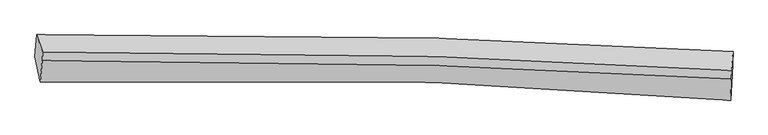
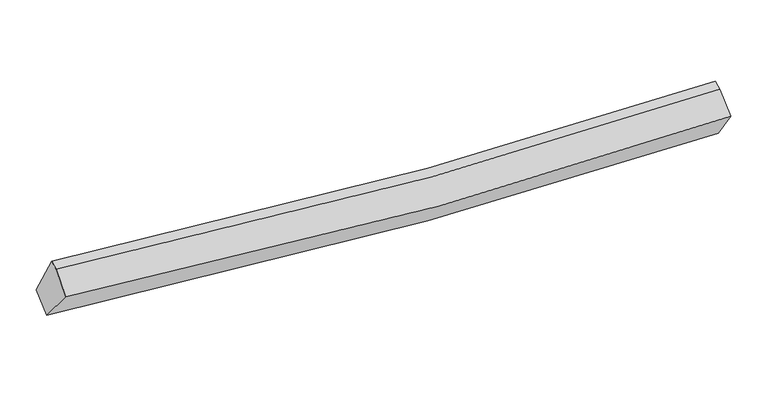
"""IFC4 building model written with IfcOpenShell, lengths in millimetres: proxy geometry."""

import ifcopenshell
import ifcopenshell.guid

model = None  # the IFC model being written
_history = None  # IfcOwnerHistory: only IFC2X3 demands one
_inside = {}  # id of a spatial element -> (the spatial element, [elements in it])
_under = {}  # id of a project, library or spatial element -> (it, [spatial elements below it])
_declared = {}  # id of a project -> (the project, [libraries it declares])
_typed = {}  # id of a type object -> (the type object, [elements of that type])
_made_of = {}  # id of a material, layer set ... -> (it, [elements and type objects made of it])


def new_model(schema):
    """Start an empty IFC model of exactly this schema.

    Asked for "IFC4X3", IfcOpenShell would pick the latest addendum, in which some entities
    have other attributes; the version numbers below select the first issue.
    IFC2X3 requires an IfcOwnerHistory on every rooted entity: one is made here for all.
    """
    global model, _history
    if schema == "IFC4X3":
        model = ifcopenshell.file(schema_version=(4, 3, 0, 0))
    else:
        model = ifcopenshell.file(schema=schema)
    _inside.clear()
    _under.clear()
    _declared.clear()
    _typed.clear()
    _made_of.clear()
    _history = None
    if model.schema == "IFC2X3":
        org = make("IfcOrganization", Name="unknown")
        user = make(
            "IfcPersonAndOrganization",
            ThePerson=make("IfcPerson", FamilyName="unknown"),
            TheOrganization=org,
        )
        app = make(
            "IfcApplication",
            ApplicationDeveloper=org,
            Version="unknown",
            ApplicationFullName="unknown",
            ApplicationIdentifier="unknown",
        )
        _history = make(
            "IfcOwnerHistory",
            OwningUser=user,
            OwningApplication=app,
            ChangeAction="ADDED",
            CreationDate=0,
        )
    return model


def make(cls, **values):
    """One entity of the class cls with the attributes given. An attribute that is None is left unset."""
    return model.create_entity(
        cls, **{name: value for name, value in values.items() if value is not None}
    )


def rooted(cls, **values):
    """An entity with a GlobalId (a new one), such as an element, a storey or a relation."""
    return make(cls, GlobalId=ifcopenshell.guid.new(), OwnerHistory=_history, **values)


def si_unit(unit_type, name, prefix=None):
    """IfcSIUnit, for example si_unit("LENGTHUNIT", "METRE", prefix="MILLI")."""
    return make("IfcSIUnit", UnitType=unit_type, Prefix=prefix, Name=name)


def assignment(units):
    """IfcUnitAssignment: the units of a project."""
    return None if units is None else make("IfcUnitAssignment", Units=units)


def point(xyz):
    """IfcCartesianPoint."""
    return None if xyz is None else make("IfcCartesianPoint", Coordinates=xyz)


def direction(xyz):
    """IfcDirection."""
    return None if xyz is None else make("IfcDirection", DirectionRatios=xyz)


def frame(location, z_axis=None, x_axis=None):
    """IfcAxis2Placement3D, a coordinate frame: its origin and axes. An axis left out is left unset."""
    return make(
        "IfcAxis2Placement3D",
        Location=point(location),
        Axis=direction(z_axis),
        RefDirection=direction(x_axis),
    )


def origin():
    """The frame at (0, 0, 0) with its axes left unset."""
    return frame((0.0, 0.0, 0.0))


def place(relative_to, where):
    """IfcLocalPlacement: puts the frame where relative to a parent placement (None: the world)."""
    return make(
        "IfcLocalPlacement", PlacementRelTo=relative_to, RelativePlacement=where
    )


def context(
    kind, dimensions, precision=None, world=None, true_north=None, identifier=None
):
    """IfcGeometricRepresentationContext, for example the 3D "Model" context."""
    return make(
        "IfcGeometricRepresentationContext",
        ContextIdentifier=identifier,
        ContextType=kind,
        CoordinateSpaceDimension=dimensions,
        Precision=precision,
        WorldCoordinateSystem=world,
        TrueNorth=true_north,
    )


def project(units=None, contexts=None):
    """IfcProject with its units and contexts."""
    return rooted(
        "IfcProject",
        Name="project",
        RepresentationContexts=contexts,
        UnitsInContext=assignment(units),
    )


def spatial(cls, under=None, at=None, **own):
    """A site, building, storey or space (cls), placed at a placement, below another one or the project."""
    s = rooted(cls, ObjectPlacement=at, **own)
    if under is not None:
        _under.setdefault(under.id(), (under, []))[1].append(s)
    return s


def shape(context_of_items, identifier, shape_type, items):
    """IfcShapeRepresentation: the items that make up one representation, for example the "Body"."""
    return make(
        "IfcShapeRepresentation",
        ContextOfItems=context_of_items,
        RepresentationIdentifier=identifier,
        RepresentationType=shape_type,
        Items=items,
    )


def source(mapping_origin, context_of_items, identifier, shape_type, items):
    """IfcRepresentationMap: a shape defined once, which mapped items show again and again."""
    return make(
        "IfcRepresentationMap",
        MappingOrigin=mapping_origin,
        MappedRepresentation=shape(context_of_items, identifier, shape_type, items),
    )


def transform(
    local_origin,
    x_axis=None,
    y_axis=None,
    z_axis=None,
    scale=None,
    scale2=None,
    scale3=None,
    uniform=True,
):
    """IfcCartesianTransformationOperator3D, or its non-uniform kind. x_axis, y_axis, z_axis: its Axis1, 2, 3."""
    if uniform:
        return make(
            "IfcCartesianTransformationOperator3D",
            Axis1=direction(x_axis),
            Axis2=direction(y_axis),
            LocalOrigin=point(local_origin),
            Scale=scale,
            Axis3=direction(z_axis),
        )
    return make(
        "IfcCartesianTransformationOperator3DnonUniform",
        Axis1=direction(x_axis),
        Axis2=direction(y_axis),
        LocalOrigin=point(local_origin),
        Scale=scale,
        Axis3=direction(z_axis),
        Scale2=scale2,
        Scale3=scale3,
    )


def mapped(mapping_source, mapping_target):
    """IfcMappedItem: shows the shape of a source again, moved by a transform."""
    return make(
        "IfcMappedItem", MappingSource=mapping_source, MappingTarget=mapping_target
    )


def made_of(thing, what):
    """Note that an element or type object is made of a material, layer set ...; save() writes the relation."""
    if what is not None:
        _made_of.setdefault(what.id(), (what, []))[1].append(thing)
    return thing


def element(
    cls,
    number,
    at=None,
    inside=None,
    cuts=None,
    type_object=None,
    material=None,
    context=None,
    identifier="Body",
    shape_type=None,
    held_by="IfcProductDefinitionShape",
    body=None,
    shapes=None,
    **own,
):
    """One element of the class cls, such as IfcWall. Its Tag is "e" and its number.

    at: its placement. inside: the storey or other place that contains it. cuts: it is an
    opening in that element (IfcRelVoidsElement). A single representation is given by context,
    identifier, shape_type and body (its items); several are given by shapes. held_by: the class
    of the entity that holds the representations. save() writes the other relations.
    """
    e = rooted(cls, Tag="e%d" % number, ObjectPlacement=at, **own)
    if body is not None:
        shapes = [shape(context, identifier, shape_type, body)]
    if shapes is not None:
        e.Representation = make(held_by, Representations=shapes)
    if inside is not None:
        _inside.setdefault(inside.id(), (inside, []))[1].append(e)
    if cuts is not None:
        rooted(
            "IfcRelVoidsElement", RelatingBuildingElement=cuts, RelatedOpeningElement=e
        )
    if type_object is not None:
        _typed.setdefault(type_object.id(), (type_object, []))[1].append(e)
    return made_of(e, material)


def aggregate(whole, parts):
    """IfcRelAggregates: a whole, such as a stair, and the parts it consists of."""
    return rooted("IfcRelAggregates", RelatingObject=whole, RelatedObjects=parts)


def save(model, path):
    """Write the relations noted so far, then the file.

    IfcRelAggregates (storeys below a building ...), IfcRelContainedInSpatialStructure (elements
    in a storey), IfcRelDefinesByType, IfcRelAssociatesMaterial and IfcRelDeclares: one each for
    every whole, place, type object, material and project.
    """
    for whole, parts in _under.values():
        aggregate(whole, parts)
    for where, things in _inside.values():
        rooted(
            "IfcRelContainedInSpatialStructure",
            RelatedElements=things,
            RelatingStructure=where,
        )
    for kind, things in _typed.values():
        rooted("IfcRelDefinesByType", RelatedObjects=things, RelatingType=kind)
    for what, things in _made_of.values():
        rooted("IfcRelAssociatesMaterial", RelatedObjects=things, RelatingMaterial=what)
    for by, libraries in _declared.values():
        rooted("IfcRelDeclares", RelatingContext=by, RelatedDefinitions=libraries)
    model.write(path)


def plane_surface(at):
    """IfcPlane: the flat surface through the origin of the frame at, square to its z axis."""
    return make("IfcPlane", Position=at)


def spline_curve(degree, points, multiplicities, knots, weights=None):
    """IfcBSplineCurveWithKnots; with weights, IfcRationalBSplineCurveWithKnots."""
    own = dict(
        Degree=degree,
        ControlPointsList=[point(p) for p in points],
        CurveForm="UNSPECIFIED",
        ClosedCurve=False,
        SelfIntersect=False,
        KnotMultiplicities=multiplicities,
        Knots=knots,
        KnotSpec="UNSPECIFIED",
    )
    if weights is None:
        return make("IfcBSplineCurveWithKnots", **own)
    return make("IfcRationalBSplineCurveWithKnots", WeightsData=weights, **own)


def spline_surface(u_degree, v_degree, points, u_multiplicities, v_multiplicities, u_knots, v_knots, weights=None):
    """IfcBSplineSurfaceWithKnots; with weights, IfcRationalBSplineSurfaceWithKnots. points: one row for each step in u."""
    own = dict(
        UDegree=u_degree,
        VDegree=v_degree,
        ControlPointsList=[[point(p) for p in row] for row in points],
        SurfaceForm="UNSPECIFIED",
        UClosed=False,
        VClosed=False,
        SelfIntersect=False,
        UMultiplicities=u_multiplicities,
        VMultiplicities=v_multiplicities,
        UKnots=u_knots,
        VKnots=v_knots,
        KnotSpec="UNSPECIFIED",
    )
    if weights is None:
        return make("IfcBSplineSurfaceWithKnots", **own)
    return make("IfcRationalBSplineSurfaceWithKnots", WeightsData=weights, **own)


def advanced_brep(points, edges, surfaces, faces):
    """IfcAdvancedBrep: a solid bounded by faces that lie on surfaces and meet in shared edges.

    An edge is (start, end): straight between two places in points (the first is 0);
    or (start, end, curve); or (start, end, curve, False) where it runs against its curve.
    A face is (place in surfaces, loops), or (place, loops, False) where it looks against
    its surface's normal. A loop lists edges by number (the first is 1), with a minus sign
    where the edge is run from its end to its start. The first loop is the outer one.
    """
    corners = [point(p) for p in points]
    vertices = [make("IfcVertexPoint", VertexGeometry=c) for c in corners]
    made = []
    for start, end, *more in edges:
        made.append(
            make(
                "IfcEdgeCurve",
                EdgeStart=vertices[start],
                EdgeEnd=vertices[end],
                EdgeGeometry=more[0] if more else make("IfcPolyline", Points=[corners[start], corners[end]]),
                SameSense=more[1] if len(more) > 1 else True,
            )
        )
    hull = []
    for where, loops, *sense in faces:
        bounds = []
        for j, loop in enumerate(loops):
            ring = [make("IfcOrientedEdge", EdgeElement=made[abs(k) - 1], Orientation=k > 0) for k in loop]
            bounds.append(
                make(
                    "IfcFaceOuterBound" if j == 0 else "IfcFaceBound",
                    Bound=make("IfcEdgeLoop", EdgeList=ring),
                    Orientation=True,
                )
            )
        hull.append(make("IfcAdvancedFace", Bounds=bounds, FaceSurface=surfaces[where], SameSense=sense[0] if sense else True))
    return make("IfcAdvancedBrep", Outer=make("IfcClosedShell", CfsFaces=hull))


def generic_models_f6faa93f(model_context):
    return source(origin(), model_context, "Body", "AdvancedBrep", [
        advanced_brep(
        [(-5046.048193, -1935.1142814, 2964.2736891), (-5021.223901, -1607.2245743, 3179.7358058), (5372.5206842, -1859.8216326, 2675.9806326), (5357.7455911, -2211.2158908, 2515.0028129), (-4966.5008081, -2311.5816568, 3475.687933), (5333.8701446, -2586.1388784, 3033.1366917), (-4936.5495445, -1994.2842307, 3725.8265269), (5345.9786657, -2268.5750111, 3284.4345723), (-4931.0809754, -1865.4700347, 3780.3883968), (5351.4472349, -2139.7608151, 3338.9964422)],
        [
            (0, 1),
            (1, 2, spline_curve(3, [(-5021.223901, -1607.2245743, 3179.7358058), (-3043.683892036, -1581.665137753, 2904.656902508), (-1063.967224896, -1598.260393184, 2731.973469927), (2401.571157888, -1700.990541087, 2609.067948353), (3886.436020016, -1768.594305396, 2613.832990259), (5372.5206842, -1859.8216326, 2675.9806326)], [4, 2, 4], [0.0, 19.563244669952308, 34.20828683263284])),
            (2, 3),
            (3, 0, spline_curve(3, [(5357.7455911, -2211.2158908, 2515.0028129), (3872.318323821, -2122.484976522, 2458.68302059), (2387.215474467, -2054.872893045, 2453.922191067), (-1080.970271672, -1946.272692063, 2563.234540165), (-3063.798683064, -1921.850905593, 2717.752328075), (-5046.048193, -1935.1142814, 2964.2736891)], [4, 2, 4], [0.0, 14.645042162680529, 34.20828683263284])),
            (4, 0),
            (3, 5),
            (5, 4, spline_curve(3, [(5333.8701446, -2586.1388784, 3033.1366917), (3859.059256983, -2461.60353566, 2927.004555514), (2386.34626492, -2373.609748733, 2893.346208973), (-1048.756380105, -2253.426231251, 2984.012375804), (-3009.500371673, -2249.900944249, 3165.187802352), (-4966.5008081, -2311.5816568, 3475.687933)], [4, 2, 4], [0.0, 14.583997433016695, 34.065696896819446])),
            (6, 4),
            (5, 7),
            (7, 6, spline_curve(3, [(5345.9786657, -2268.5750111, 3284.4345723), (3874.393901123, -2179.864576022, 3219.297865881), (2404.615965173, -2112.374834389, 3209.013411346), (-1024.31077663, -2004.298338127, 3313.116084655), (-2982.042243869, -1980.357819462, 3470.531190098), (-4936.5495445, -1994.2842307, 3725.8265269)], [4, 2, 4], [0.0, 14.499966913540522, 33.86941612951233])),
            (8, 6),
            (7, 9),
            (9, 8, spline_curve(3, [(5351.4472349, -2139.7608151, 3338.9964422), (3879.976307408, -2048.36889805, 3274.995531567), (2410.263473385, -1979.345654149, 3265.360623955), (-1018.625037963, -1870.368643365, 3369.844727535), (-2976.421607578, -1847.961626551, 3526.610287404), (-4931.0809754, -1865.4700347, 3780.3883968)], [4, 2, 4], [0.0, 14.479327867230442, 33.82120688516298])),
            (1, 8),
            (9, 2),
        ],
        [
            spline_surface(3, 3, [[(-5046.048193, -1935.1142814, 2964.2736891), (-3063.798683336, -1921.85090553, 2717.752328323), (-1080.97027146, -1946.272691881, 2563.234540071), (2387.215474308, -2054.872893181, 2453.922191138), (3872.318323787, -2122.48497664, 2458.683020695), (5357.7455911, -2211.2158908, 2515.0028129)], [(-5037.773428994, -1825.817712366, 3036.094394639), (-3057.093752821, -1808.455649665, 2780.053853035), (-1075.302589343, -1830.268592276, 2619.480849946), (2392.000702243, -1936.912109205, 2505.637443646), (3877.02422246, -2004.521419609, 2510.399677274), (5362.670622127, -2094.084471384, 2568.662086138)], [(-5029.498665006, -1716.521143334, 3107.915100261), (-3050.388822325, -1695.060393803, 2842.35537783), (-1069.634907263, -1714.264492627, 2675.727159741), (2396.78593014, -1818.951325184, 2557.352696077), (3881.730121151, -1886.557862627, 2562.116333839), (5367.595653173, -1976.953052016, 2622.321359362)], [(-5021.223901, -1607.2245743, 3179.7358058), (-3043.683891809, -1581.665137937, 2904.656902543), (-1063.967225145, -1598.260393023, 2731.973469616), (2401.571158075, -1700.990541207, 2609.067948585), (3886.436019824, -1768.594305595, 2613.832990418), (5372.5206842, -1859.8216326, 2675.9806326)]], [4, 4], [4, 2, 4], [0.0, 1.2694275447293526], [0.0, 19.563244669952308, 34.20828683263284]),
            spline_surface(3, 3, [[(-4966.5008081, -2311.5816568, 3475.687933), (-3009.500371812, -2249.900944377, 3165.1878022), (-1048.756379945, -2253.426231318, 2984.01237552), (2386.3462648, -2373.609748683, 2893.346209185), (3859.05925718, -2461.603535553, 2927.004555445), (5333.8701446, -2586.1388784, 3033.1366917)], [(-4993.016603068, -2186.092531686, 3305.216518369), (-3027.599808988, -2140.550931448, 3016.042644243), (-1059.494343805, -2151.041718187, 2843.753097042), (2386.636001281, -2267.364130197, 2746.871536508), (3863.478946061, -2348.564015903, 2770.897377184), (5341.828626779, -2461.164549187, 2860.425398756)], [(-5019.532398032, -2060.603406514, 3134.745103731), (-3045.69924616, -2031.20091846, 2866.89748628), (-1070.2323076, -2048.657205012, 2703.493818549), (2386.925737827, -2161.118511667, 2600.396863815), (3867.898634906, -2235.524496291, 2614.790198955), (5349.787108921, -2336.190220013, 2687.714105844)], [(-5046.048193, -1935.1142814, 2964.2736891), (-3063.798683336, -1921.85090553, 2717.752328323), (-1080.97027146, -1946.272691881, 2563.234540071), (2387.215474308, -2054.872893181, 2453.922191138), (3872.318323787, -2122.48497664, 2458.683020695), (5357.7455911, -2211.2158908, 2515.0028129)]], [4, 4], [4, 2, 4], [0.0, 1.7432836059627972], [0.0, 19.48169946380275, 34.065696896819446]),
            spline_surface(3, 3, [[(-4936.5495445, -1994.2842307, 3725.8265269), (-2982.042243833, -1980.357819192, 3470.531189985), (-1024.310776452, -2004.29833795, 3313.116084335), (2404.615965039, -2112.374834521, 3209.013411586), (3874.393901018, -2179.864575896, 3219.297865701), (5345.9786657, -2268.5750111, 3284.4345723)], [(-4946.533299025, -2100.050039377, 3642.446995607), (-2991.19495315, -2070.205527564, 3368.75006073), (-1032.459310934, -2087.340969041, 3203.414848034), (2398.526064975, -2199.453139211, 3103.791010757), (3869.282353053, -2273.777562453, 3121.866762282), (5341.942491981, -2374.429633538, 3200.668612099)], [(-4956.517053575, -2205.815848123, 3559.067464293), (-3000.347662494, -2160.053236006, 3266.968931455), (-1040.607845462, -2170.383600227, 3093.713611821), (2392.436164865, -2286.531443994, 2998.568610015), (3864.170805145, -2367.690548997, 3024.435658865), (5337.906318319, -2480.284255962, 3116.902651901)], [(-4966.5008081, -2311.5816568, 3475.687933), (-3009.500371812, -2249.900944377, 3165.1878022), (-1048.756379945, -2253.426231318, 2984.01237552), (2386.3462648, -2373.609748683, 2893.346209185), (3859.05925718, -2461.603535553, 2927.004555445), (5333.8701446, -2586.1388784, 3033.1366917)]], [4, 4], [4, 2, 4], [0.0, 1.3511390988762226], [0.0, 19.36944921597181, 33.86941612951233]),
            spline_surface(3, 3, [[(-4931.0809754, -1865.4700347, 3780.3883968), (-2976.421607682, -1847.961626833, 3526.61028722), (-1018.625038229, -1870.368643259, 3369.844727728), (2410.263473584, -1979.345654227, 3265.360623811), (3879.97630759, -2048.368897935, 3274.995531767), (5351.4472349, -2139.7608151, 3338.9964422)], [(-4932.90383179, -1908.408100049, 3762.201106829), (-2978.295153089, -1892.093690968, 3507.917254804), (-1020.520284308, -1915.011874839, 3350.935179956), (2408.380970732, -2023.688714341, 3246.578219762), (3878.115505409, -2092.200790604, 3256.429643075), (5349.62437851, -2182.698880449, 3320.809152229)], [(-4934.72668811, -1951.346165351, 3744.013816871), (-2980.168698425, -1936.225755057, 3489.2242224), (-1022.415530374, -1959.655106371, 3332.025632107), (2406.498467892, -2068.031774407, 3227.795815635), (3876.254703199, -2136.032683227, 3237.863754394), (5347.80152209, -2225.636945751, 3302.621862271)], [(-4936.5495445, -1994.2842307, 3725.8265269), (-2982.042243833, -1980.357819192, 3470.531189985), (-1024.310776452, -2004.29833795, 3313.116084335), (2404.615965039, -2112.374834521, 3209.013411586), (3874.393901018, -2179.864575896, 3219.297865701), (5345.9786657, -2268.5750111, 3284.4345723)]], [4, 4], [4, 2, 4], [0.0, 0.476068024069059], [0.0, 19.341879017932538, 33.82120688516298]),
            spline_surface(3, 3, [[(-5021.223901, -1607.2245743, 3179.7358058), (-3043.683891809, -1581.665137937, 2904.656902543), (-1063.967225145, -1598.260393023, 2731.973469616), (2401.571158075, -1700.990541207, 2609.067948585), (3886.436019824, -1768.594305595, 2613.832990418), (5372.5206842, -1859.8216326, 2675.9806326)], [(-4991.176259124, -1693.306394423, 3379.953336156), (-3021.263130424, -1670.430634226, 3111.974697458), (-1048.853162842, -1688.963143088, 2944.597222292), (2404.468596576, -1793.775578867, 2827.832173632), (3884.282782416, -1861.852503052, 2834.220504211), (5365.496201103, -1953.134693443, 2896.985902477)], [(-4961.128617276, -1779.388214577, 3580.170866444), (-2998.842369067, -1759.196130545, 3319.292492304), (-1033.739100533, -1779.665893194, 3157.220975052), (2407.366035082, -1886.560616568, 3046.596398764), (3882.129544998, -1955.110700478, 3054.608017974), (5358.471717997, -2046.447754257, 3117.991172323)], [(-4931.0809754, -1865.4700347, 3780.3883968), (-2976.421607682, -1847.961626833, 3526.61028722), (-1018.625038229, -1870.368643259, 3369.844727728), (2410.263473584, -1979.345654227, 3265.360623811), (3879.97630759, -2048.368897935, 3274.995531767), (5351.4472349, -2139.7608151, 3338.9964422)]], [4, 4], [4, 2, 4], [0.0, 2.299425832646035], [0.0, 19.450784456852162, 34.01163892008602]),
            plane_surface(frame((5352.3124641, -2213.1024456, 2969.5102303), z_axis=(0.9988080728536342, -0.047376533878335035, 0.011742982588954901), x_axis=(-0.02988673903102917, -0.7838239125293046, -0.620263538326528))),
            plane_surface(frame((-4980.2806844, -1942.7349556, 3425.1824703), z_axis=(-0.9898586129374405, -0.017680263417707266, 0.1409515330851242), x_axis=(-0.06314512054355902, -0.8340473542554173, -0.5480672446069714))),
        ],
        [
            (0, [[1, 2, 3, 4]]),
            (1, [[5, -4, 6, 7]]),
            (2, [[8, -7, 9, 10]]),
            (3, [[11, -10, 12, 13]]),
            (4, [[14, -13, 15, -2]]),
            (5, [[-9, -6, -3, -15, -12]]),
            (6, [[-1, -5, -8, -11, -14]]),
        ],
    ),
    ])


if __name__ == "__main__":
    model = new_model("IFC4")
    model_context = context("Model", 3, world=origin())
    ifc_project = project(units=[si_unit("LENGTHUNIT", "METRE", prefix="MILLI")], contexts=[model_context])
    site = spatial("IfcSite", under=ifc_project)
    building = spatial("IfcBuilding", under=site)
    placement = place(None, origin())
    generic_models_shape = generic_models_f6faa93f(model_context)
    element("IfcBuildingElementProxy", 1, Name="Generic Models", at=placement, inside=building, context=model_context, shape_type="MappedRepresentation", body=[
        mapped(generic_models_shape, transform((0.0, 0.0, 0.0), x_axis=(1.0, 0.0, 0.0), y_axis=(0.0, 1.0, 0.0), z_axis=(0.0, 0.0, 1.0))),
    ])
    save(model, "model.ifc")
